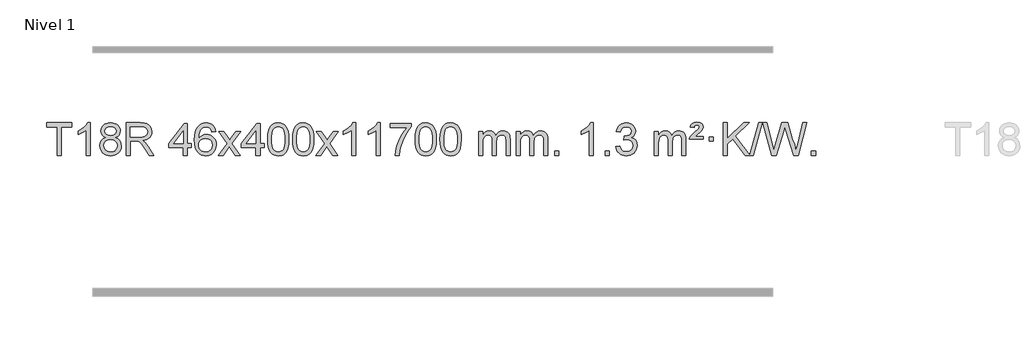
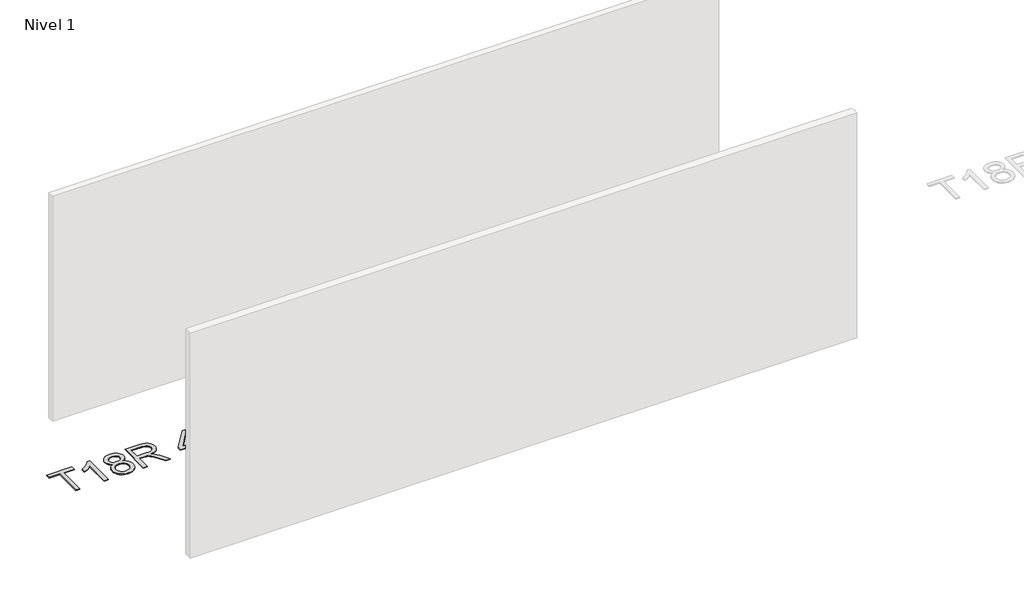
# One storey, part 3 of 7: 1 proxy.
"""IFC4 building model written with IfcOpenShell, lengths in millimetres."""

from ifc_helpers import new_model, si_unit, origin, origin_with_axes, place, context, project, spatial, polyline, outline, extrude, element, save

model = new_model("IFC4")

# Units and contexts
model_context = context("Model", 3, world=origin())
ifc_project = project(units=[si_unit("LENGTHUNIT", "METRE", prefix="MILLI")], contexts=[model_context])

# Site, building, storey
site = spatial("IfcSite", under=ifc_project)
building = spatial("IfcBuilding", under=site)
storey = spatial("IfcBuildingStorey", under=building, Name="Nivel 1", Elevation=0.0)

# Proxy
placement = place(None, origin())
element("IfcBuildingElementProxy", 1, Name="Texto de modelo 1", ObjectType="Texto de modelo 1", at=placement, inside=storey, context=model_context, shape_type="SweptSolid", body=[
    extrude(outline(polyline([(-26017.2438234, 8623.4579509), (-26017.2438234, 8975.0550364), (-26149.0927304, 8975.0550364), (-26149.0927304, 9025.2831915), (-25835.1667612, 9025.2831915), (-25835.1667612, 8975.0550364), (-25967.0156683, 8975.0550364), (-25967.0156683, 8623.4579509), (-26017.2438234, 8623.4579509)])), origin_with_axes(), (0.0, 0.0, 1.0), 10.0),
    extrude(outline(polyline([(-25609.1400634, 8623.4579509), (-25659.3682185, 8623.4579509), (-25659.3682185, 8936.5991052), (-25680.3374922, 8919.6397452), (-25706.9476232, 8902.7049107), (-25759.8245286, 8877.3455785), (-25759.8245286, 8924.8268813), (-25720.375316, 8946.2866644), (-25686.1990786, 8971.8176749), (-25659.2578539, 8998.9673661), (-25641.513679, 9025.2831915), (-25609.1400634, 9025.2831915), (-25609.1400634, 8623.4579509)])), origin_with_axes(), (0.0, 0.0, 1.0), 10.0),
    extrude(outline(polyline([(-25416.6642035, 8844.7757592), (-25443.5563773, 8858.019511), (-25462.4287237, 8875.9721524), (-25473.5755482, 8898.2658013), (-25477.2911563, 8924.5325757), (-25475.2678053, 8945.0174715), (-25469.1977524, 8963.7978474), (-25459.0809975, 8980.8737033), (-25444.9175407, 8996.2450393), (-25427.3879637, 9008.9492309), (-25407.172848, 9018.0236534), (-25384.2721938, 9023.468307), (-25358.6860011, 9025.2831915), (-25332.977181, 9023.4253874), (-25309.9048485, 9017.8519752), (-25289.4690037, 9008.5629548), (-25271.6696465, 8995.5583263), (-25257.2486723, 8979.8865533), (-25246.9479764, 8962.5960995), (-25240.7675589, 8943.686965), (-25238.7074197, 8923.1591496), (-25242.3739769, 8897.7385038), (-25253.3736486, 8875.8249996), (-25271.829062, 8857.9827228), (-25297.8628445, 8844.7757592), (-25266.9484942, 8828.8464688), (-25244.4463788, 8805.3878602), (-25230.7243804, 8775.528105), (-25226.1503809, 8740.3953744), (-25228.4189866, 8715.3426105), (-25235.2248035, 8692.3745113), (-25246.5678317, 8671.4910767), (-25262.4480711, 8652.6923068), (-25282.031656, 8637.1554238), (-25304.4847204, 8626.0576503), (-25329.8072644, 8619.3989862), (-25357.999288, 8617.1794315), (-25386.1913116, 8619.4081833), (-25411.5138556, 8626.0944385), (-25433.96692, 8637.2381973), (-25453.5505049, 8652.8394596), (-25469.4307443, 8671.7700539), (-25480.7737725, 8692.9018088), (-25487.5795894, 8716.2347244), (-25489.8481951, 8741.7688005), (-25485.0902546, 8778.2626945), (-25470.8164332, 8808.2818653), (-25447.7624948, 8830.7962434), (-25416.6642035, 8844.7757592)]), holes=[polyline([(-25427.0630012, 8923.0610478), (-25422.6116291, 8901.1352808), (-25409.2575127, 8883.6240979), (-25387.3930594, 8872.1461796), (-25357.4106768, 8868.3202069), (-25328.12727, 8872.1216542), (-25306.5939105, 8883.525996), (-25293.3501587, 8900.4485678), (-25288.9355748, 8920.8047049), (-25293.4973115, 8941.9333941), (-25307.1825217, 8959.4077889), (-25329.0101868, 8971.1432245), (-25357.999288, 8975.0550364), (-25387.1723302, 8971.2290637), (-25408.9632071, 8959.7511454), (-25422.5380527, 8942.9266755), (-25427.0630012, 8923.0610478)]), polyline([(-25439.62004, 8743.5346341), (-25437.5231126, 8724.3189312), (-25431.2323305, 8705.716365), (-25419.6195222, 8689.492769), (-25401.5565162, 8677.4139768), (-25379.9250549, 8669.9091841), (-25357.6068805, 8667.4075866), (-25323.4183805, 8672.6682991), (-25309.5247038, 8679.2441898), (-25297.7647427, 8688.4504367), (-25281.7250877, 8712.3505037), (-25276.378536, 8741.9650043), (-25281.8967659, 8772.0822769), (-25298.4514557, 8796.5096414), (-25310.5302479, 8805.951946), (-25324.6937047, 8812.6964492), (-25359.2746123, 8818.0920518), (-25392.9848657, 8812.7700256), (-25406.7221926, 8806.1174929), (-25418.3809861, 8796.803947), (-25434.3102765, 8772.8425664), (-25439.62004, 8743.5346341)])]), origin_with_axes(), (0.0, 0.0, 1.0), 10.0),
    extrude(outline(polyline([(-25163.3651871, 8623.4579509), (-25163.3651871, 9025.2831915), (-24990.2153947, 9025.2831915), (-24943.6783223, 9022.5731275), (-24909.820916, 9014.4429354), (-24885.0747205, 8999.43335), (-24865.8712803, 8976.085106), (-24853.5472335, 8947.132793), (-24849.4392179, 8915.3110004), (-24851.1406721, 8894.6728205), (-24856.2450348, 8875.7268977), (-24864.7523059, 8858.4732321), (-24876.6624855, 8842.9118237), (-24892.1288577, 8829.5393132), (-24911.3047067, 8818.8523413), (-24934.1900325, 8810.8509079), (-24960.7848351, 8805.535013), (-24932.2371923, 8784.0507045), (-24891.5249181, 8732.3510215), (-24824.5213441, 8623.4579509), (-24882.891954, 8623.4579509), (-24935.1802482, 8706.7464346), (-24972.9494664, 8761.8796829), (-24986.9902959, 8777.9561261), (-24999.486021, 8787.9257282), (-25023.3738252, 8797.4906601), (-25052.5100792, 8799.2564936), (-25113.137032, 8799.2564936), (-25113.137032, 8623.4579509), (-25163.3651871, 8623.4579509)]), holes=[polyline([(-25113.137032, 8849.4846487), (-25000.7122943, 8849.4846487), (-24968.4245178, 8851.262745), (-24943.371754, 8856.597034), (-24924.5116704, 8865.8431348), (-24910.8019347, 8879.3566667), (-24902.4510134, 8895.70289), (-24899.6673729, 8913.4470649), (-24904.9771364, 8937.9480058), (-24920.9064268, 8957.6910062), (-24933.0679924, 8965.2877694), (-24948.3136354, 8970.7140289), (-24988.0571537, 8975.0550364), (-25113.137032, 8975.0550364), (-25113.137032, 8849.4846487)])]), origin_with_axes(), (0.0, 0.0, 1.0), 10.0),
    extrude(outline(polyline([(-24460.171016, 8623.4579509), (-24460.171016, 8717.6357417), (-24642.2480782, 8717.6357417), (-24642.2480782, 8767.8638967), (-24447.6139773, 9019.0046721), (-24409.942861, 9019.0046721), (-24409.942861, 8767.8638967), (-24359.7147059, 8767.8638967), (-24359.7147059, 8717.6357417), (-24409.942861, 8717.6357417), (-24409.942861, 8623.4579509), (-24460.171016, 8623.4579509)]), holes=[polyline([(-24460.171016, 8767.8638967), (-24460.171016, 8923.0610478), (-24580.443903, 8767.8638967), (-24460.171016, 8767.8638967)])]), origin_with_axes(), (0.0, 0.0, 1.0), 10.0),
    extrude(outline(polyline([(-24058.3457754, 8918.5483619), (-24108.5739305, 8912.2698426), (-24116.6673344, 8937.1631909), (-24127.6056924, 8954.1593391), (-24150.3898506, 8969.8311121), (-24177.9319493, 8975.0550364), (-24201.2801933, 8972.0138786), (-24223.2550111, 8962.8904051), (-24242.1273575, 8943.6747022), (-24257.5416131, 8917.2239868), (-24267.9526736, 8879.8103879), (-24271.8154345, 8827.7060346), (-24251.6677639, 8851.2136941), (-24227.5224423, 8867.7806466), (-24200.7283703, 8877.6030959), (-24172.6344486, 8880.8772456), (-24148.5013897, 8878.6392968), (-24126.2322663, 8871.9254504), (-24105.8270783, 8860.7357064), (-24087.2858257, 8845.0700648), (-24071.8777015, 8825.8604933), (-24060.8718985, 8804.0389596), (-24054.2684167, 8779.6054637), (-24052.0672561, 8752.5600057), (-24056.2120599, 8716.5934093), (-24068.6464713, 8683.2510378), (-24088.3404208, 8654.9731751), (-24114.2638387, 8634.2001051), (-24145.2395027, 8621.4345999), (-24180.0901904, 8617.1794315), (-24210.0327191, 8619.9998601), (-24237.0751114, 8628.461146), (-24261.2173674, 8642.5632892), (-24282.4594869, 8662.3062896), (-24299.7775318, 8688.5240131), (-24312.1475639, 8722.0503256), (-24319.5695832, 8762.8852271), (-24322.0435896, 8811.0287175), (-24319.2967374, 8865.0031376), (-24311.0561807, 8911.0680947), (-24297.3219195, 8949.223589), (-24278.0939539, 8979.4696204), (-24257.2534389, 8999.5130577), (-24233.0897232, 9013.8297987), (-24205.6028067, 9022.4198433), (-24174.7926896, 9025.2831915), (-24151.6590435, 9023.5112265), (-24130.7204266, 9018.1953317), (-24111.976839, 9009.335507), (-24095.4282806, 8996.9317524), (-24081.5223411, 8981.4010008), (-24070.7066105, 8963.1601852), (-24062.9810886, 8942.2093056), (-24058.3457754, 8918.5483619)]), holes=[polyline([(-24271.8154345, 8753.3448206), (-24268.9091667, 8731.0879599), (-24260.1903635, 8709.8366434), (-24246.652306, 8691.5651709), (-24229.2882759, 8678.2478427), (-24208.3312649, 8670.1176506), (-24184.014265, 8667.4075866), (-24150.8680972, 8673.0239184), (-24136.9529608, 8680.0443331), (-24124.8097892, 8689.8729137), (-24114.9597488, 8702.1111215), (-24107.9240057, 8716.3604174), (-24102.2954111, 8750.892274), (-24107.8504293, 8784.0384418), (-24114.7942019, 8797.6592727), (-24124.5154836, 8809.3119348), (-24136.6954434, 8818.6469405), (-24151.01525, 8825.3148016), (-24186.0744042, 8830.6490906), (-24219.171521, 8825.3148016), (-24246.8485098, 8809.3119348), (-24257.7715393, 8797.8125568), (-24265.5737033, 8784.6515784), (-24270.2550017, 8769.8289997), (-24271.8154345, 8753.3448206)])]), origin_with_axes(), (0.0, 0.0, 1.0), 10.0),
    extrude(outline(polyline([(-24026.9531785, 8623.4579509), (-23919.6297378, 8771.7879713), (-24020.6746591, 8918.5483619), (-23960.2439101, 8918.5483619), (-23911.487283, 8847.9150189), (-23888.7276502, 8814.5603846), (-23869.0091753, 8841.8327032), (-23813.4835195, 8918.5483619), (-23753.0527704, 8918.5483619), (-23859.1989887, 8771.7879713), (-23756.976845, 8623.4579509), (-23817.4075941, 8623.4579509), (-23878.9174637, 8712.6325465), (-23890.1991782, 8728.9174562), (-23966.5224294, 8623.4579509), (-24026.9531785, 8623.4579509)])), origin_with_axes(), (0.0, 0.0, 1.0), 10.0),
    extrude(outline(polyline([(-23562.3427441, 8623.4579509), (-23562.3427441, 8717.6357417), (-23744.4198062, 8717.6357417), (-23744.4198062, 8767.8638967), (-23549.7857053, 9019.0046721), (-23512.114589, 9019.0046721), (-23512.114589, 8767.8638967), (-23461.8864339, 8767.8638967), (-23461.8864339, 8717.6357417), (-23512.114589, 8717.6357417), (-23512.114589, 8623.4579509), (-23562.3427441, 8623.4579509)]), holes=[polyline([(-23562.3427441, 8767.8638967), (-23562.3427441, 8923.0610478), (-23682.615631, 8767.8638967), (-23562.3427441, 8767.8638967)])]), origin_with_axes(), (0.0, 0.0, 1.0), 10.0),
    extrude(outline(polyline([(-23417.9367982, 8821.1332096), (-23414.2457156, 8885.4512451), (-23403.1724675, 8936.746258), (-23384.8274187, 8975.8030631), (-23372.9693557, 8991.0364434), (-23359.3209337, 9003.4064755), (-23343.8361674, 9012.9775387), (-23326.4690715, 9019.8140125), (-23286.0878912, 9025.2831915), (-23255.1367526, 9022.0458299), (-23227.4229757, 9012.3337453), (-23204.24641, 8996.5270822), (-23186.9069053, 8975.0059855), (-23173.8103062, 8947.9543961), (-23163.3624576, 8915.5562551), (-23156.5198525, 8874.4147853), (-23154.2389841, 8821.1332096), (-23157.8932786, 8757.1830561), (-23168.856162, 8706.0106706), (-23187.0908463, 8666.9170772), (-23198.9213181, 8651.6377117), (-23212.5605431, 8639.2033003), (-23228.0637035, 8629.5678577), (-23245.4859816, 8622.6853987), (-23286.0878912, 8617.1794315), (-23313.7526172, 8619.5706645), (-23338.2780835, 8626.7443634), (-23359.6642902, 8638.7005282), (-23377.9112372, 8655.439159), (-23395.4224201, 8685.6974531), (-23407.930408, 8723.3992262), (-23415.4352007, 8768.5444784), (-23417.9367982, 8821.1332096)]), holes=[polyline([(-23367.7086432, 8821.2313115), (-23366.2371152, 8777.5667843), (-23361.8225312, 8742.2225217), (-23354.4648913, 8715.1985234), (-23344.1641955, 8696.4947897), (-23331.7052586, 8683.7691383), (-23317.8728956, 8674.6793873), (-23302.6671064, 8669.2255368), (-23286.0878912, 8667.4075866), (-23269.5086759, 8669.2316681), (-23254.3028868, 8674.7039128), (-23240.4705238, 8683.8243206), (-23228.0115869, 8696.5928915), (-23217.710891, 8715.3272821), (-23210.3532511, 8742.345149), (-23205.9386672, 8777.6464921), (-23204.4671392, 8821.2313115), (-23205.8896162, 8863.740076), (-23210.1570474, 8898.462005), (-23217.2694326, 8925.3970984), (-23227.2267719, 8944.5453563), (-23239.4772424, 8957.8933413), (-23253.4690209, 8967.4276164), (-23269.2021076, 8973.1481814), (-23286.6765024, 8975.0550364), (-23303.1698785, 8973.375042), (-23318.1181502, 8968.3350586), (-23331.5213176, 8959.9350864), (-23343.3793805, 8948.1751253), (-23354.0234329, 8927.3284789), (-23361.6263275, 8899.2222945), (-23366.1880643, 8863.856572), (-23367.7086432, 8821.2313115)])]), origin_with_axes(), (0.0, 0.0, 1.0), 10.0),
    extrude(outline(polyline([(-23110.2893484, 8821.1332096), (-23106.5982657, 8885.4512451), (-23095.5250177, 8936.746258), (-23077.1799688, 8975.8030631), (-23065.3219059, 8991.0364434), (-23051.6734838, 9003.4064755), (-23036.1887175, 9012.9775387), (-23018.8216217, 9019.8140125), (-22978.4404413, 9025.2831915), (-22947.4893028, 9022.0458299), (-22919.7755258, 9012.3337453), (-22896.5989601, 8996.5270822), (-22879.2594554, 8975.0059855), (-22866.1628564, 8947.9543961), (-22855.7150077, 8915.5562551), (-22848.8724026, 8874.4147853), (-22846.5915343, 8821.1332096), (-22850.2458287, 8757.1830561), (-22861.2087122, 8706.0106706), (-22879.4433964, 8666.9170772), (-22891.2738683, 8651.6377117), (-22904.9130932, 8639.2033003), (-22920.4162536, 8629.5678577), (-22937.8385318, 8622.6853987), (-22978.4404413, 8617.1794315), (-23006.1051674, 8619.5706645), (-23030.6306337, 8626.7443634), (-23052.0168404, 8638.7005282), (-23070.2637873, 8655.439159), (-23087.7749703, 8685.6974531), (-23100.2829581, 8723.3992262), (-23107.7877508, 8768.5444784), (-23110.2893484, 8821.1332096)]), holes=[polyline([(-23060.0611933, 8821.2313115), (-23058.5896654, 8777.5667843), (-23054.1750814, 8742.2225217), (-23046.8174415, 8715.1985234), (-23036.5167456, 8696.4947897), (-23024.0578087, 8683.7691383), (-23010.2254457, 8674.6793873), (-22995.0196566, 8669.2255368), (-22978.4404413, 8667.4075866), (-22961.8612261, 8669.2316681), (-22946.655437, 8674.7039128), (-22932.8230739, 8683.8243206), (-22920.364137, 8696.5928915), (-22910.0634412, 8715.3272821), (-22902.7058013, 8742.345149), (-22898.2912173, 8777.6464921), (-22896.8196893, 8821.2313115), (-22898.2421664, 8863.740076), (-22902.5095975, 8898.462005), (-22909.6219828, 8925.3970984), (-22919.5793221, 8944.5453563), (-22931.8297925, 8957.8933413), (-22945.8215711, 8967.4276164), (-22961.5546578, 8973.1481814), (-22979.0290525, 8975.0550364), (-22995.5224286, 8973.375042), (-23010.4707004, 8968.3350586), (-23023.8738677, 8959.9350864), (-23035.7319307, 8948.1751253), (-23046.3759831, 8927.3284789), (-23053.9788777, 8899.2222945), (-23058.5406144, 8863.856572), (-23060.0611933, 8821.2313115)])]), origin_with_axes(), (0.0, 0.0, 1.0), 10.0),
    extrude(outline(polyline([(-22821.4774567, 8623.4579509), (-22714.154016, 8771.7879713), (-22815.1989373, 8918.5483619), (-22754.7681883, 8918.5483619), (-22706.0115612, 8847.9150189), (-22683.2519284, 8814.5603846), (-22663.5334535, 8841.8327032), (-22608.0077977, 8918.5483619), (-22547.5770486, 8918.5483619), (-22653.7232669, 8771.7879713), (-22551.5011232, 8623.4579509), (-22611.9318723, 8623.4579509), (-22673.4417419, 8712.6325465), (-22684.7234564, 8728.9174562), (-22761.0467077, 8623.4579509), (-22821.4774567, 8623.4579509)])), origin_with_axes(), (0.0, 0.0, 1.0), 10.0),
    extrude(outline(polyline([(-22331.7529447, 8623.4579509), (-22381.9810998, 8623.4579509), (-22381.9810998, 8936.5991052), (-22402.9503735, 8919.6397452), (-22429.5605045, 8902.7049107), (-22482.43741, 8877.3455785), (-22482.43741, 8924.8268813), (-22442.9881974, 8946.2866644), (-22408.81196, 8971.8176749), (-22381.8707352, 8998.9673661), (-22364.1265603, 9025.2831915), (-22331.7529447, 9025.2831915), (-22331.7529447, 8623.4579509)])), origin_with_axes(), (0.0, 0.0, 1.0), 10.0),
    extrude(outline(polyline([(-22024.1054949, 8623.4579509), (-22074.33365, 8623.4579509), (-22074.33365, 8936.5991052), (-22095.3029237, 8919.6397452), (-22121.9130547, 8902.7049107), (-22174.7899601, 8877.3455785), (-22174.7899601, 8924.8268813), (-22135.3407475, 8946.2866644), (-22101.1645102, 8971.8176749), (-22074.2232854, 8998.9673661), (-22056.4791105, 9025.2831915), (-22024.1054949, 9025.2831915), (-22024.1054949, 8623.4579509)])), origin_with_axes(), (0.0, 0.0, 1.0), 10.0),
    extrude(outline(polyline([(-21904.8136266, 8968.776517), (-21904.8136266, 9019.0046721), (-21641.1158125, 9019.0046721), (-21641.1158125, 8978.3904998), (-21678.7010896, 8930.8233579), (-21715.9184848, 8870.3312951), (-21748.7458215, 8802.4325415), (-21773.1609233, 8732.6453271), (-21785.1293508, 8680.4306092), (-21791.8002777, 8623.4579509), (-21842.0284328, 8623.4579509), (-21836.596042, 8675.2312103), (-21822.0647032, 8736.7656054), (-21798.8268238, 8801.9910831), (-21767.2748113, 8864.8375907), (-21730.4375609, 8921.6508334), (-21691.3439675, 8968.776517), (-21904.8136266, 8968.776517)])), origin_with_axes(), (0.0, 0.0, 1.0), 10.0),
    extrude(outline(polyline([(-21597.1661768, 8821.1332096), (-21593.4750941, 8885.4512451), (-21582.401846, 8936.746258), (-21564.0567972, 8975.8030631), (-21552.1987342, 8991.0364434), (-21538.5503122, 9003.4064755), (-21523.0655459, 9012.9775387), (-21505.69845, 9019.8140125), (-21465.3172697, 9025.2831915), (-21434.3661312, 9022.0458299), (-21406.6523542, 9012.3337453), (-21383.4757885, 8996.5270822), (-21366.1362838, 8975.0059855), (-21353.0396848, 8947.9543961), (-21342.5918361, 8915.5562551), (-21335.749231, 8874.4147853), (-21333.4683626, 8821.1332096), (-21337.1226571, 8757.1830561), (-21348.0855406, 8706.0106706), (-21366.3202248, 8666.9170772), (-21378.1506966, 8651.6377117), (-21391.7899216, 8639.2033003), (-21407.293082, 8629.5678577), (-21424.7153602, 8622.6853987), (-21465.3172697, 8617.1794315), (-21492.9819957, 8619.5706645), (-21517.5074621, 8626.7443634), (-21538.8936687, 8638.7005282), (-21557.1406157, 8655.439159), (-21574.6517987, 8685.6974531), (-21587.1597865, 8723.3992262), (-21594.6645792, 8768.5444784), (-21597.1661768, 8821.1332096)]), holes=[polyline([(-21546.9380217, 8821.2313115), (-21545.4664937, 8777.5667843), (-21541.0519098, 8742.2225217), (-21533.6942699, 8715.1985234), (-21523.393574, 8696.4947897), (-21510.9346371, 8683.7691383), (-21497.1022741, 8674.6793873), (-21481.896485, 8669.2255368), (-21465.3172697, 8667.4075866), (-21448.7380545, 8669.2316681), (-21433.5322653, 8674.7039128), (-21419.6999023, 8683.8243206), (-21407.2409654, 8696.5928915), (-21396.9402695, 8715.3272821), (-21389.5826296, 8742.345149), (-21385.1680457, 8777.6464921), (-21383.6965177, 8821.2313115), (-21385.1189948, 8863.740076), (-21389.3864259, 8898.462005), (-21396.4988111, 8925.3970984), (-21406.4561505, 8944.5453563), (-21418.7066209, 8957.8933413), (-21432.6983995, 8967.4276164), (-21448.4314861, 8973.1481814), (-21465.9058809, 8975.0550364), (-21482.399257, 8973.375042), (-21497.3475288, 8968.3350586), (-21510.7506961, 8959.9350864), (-21522.6087591, 8948.1751253), (-21533.2528115, 8927.3284789), (-21540.855706, 8899.2222945), (-21545.4174428, 8863.856572), (-21546.9380217, 8821.2313115)])]), origin_with_axes(), (0.0, 0.0, 1.0), 10.0),
    extrude(outline(polyline([(-21289.5187269, 8821.1332096), (-21285.8276443, 8885.4512451), (-21274.7543962, 8936.746258), (-21256.4093474, 8975.8030631), (-21244.5512844, 8991.0364434), (-21230.9028624, 9003.4064755), (-21215.4180961, 9012.9775387), (-21198.0510002, 9019.8140125), (-21157.6698199, 9025.2831915), (-21126.7186813, 9022.0458299), (-21099.0049044, 9012.3337453), (-21075.8283387, 8996.5270822), (-21058.488834, 8975.0059855), (-21045.3922349, 8947.9543961), (-21034.9443863, 8915.5562551), (-21028.1017812, 8874.4147853), (-21025.8209128, 8821.1332096), (-21029.4752073, 8757.1830561), (-21040.4380907, 8706.0106706), (-21058.672775, 8666.9170772), (-21070.5032468, 8651.6377117), (-21084.1424718, 8639.2033003), (-21099.6456322, 8629.5678577), (-21117.0679103, 8622.6853987), (-21157.6698199, 8617.1794315), (-21185.3345459, 8619.5706645), (-21209.8600123, 8626.7443634), (-21231.2462189, 8638.7005282), (-21249.4931659, 8655.439159), (-21267.0043488, 8685.6974531), (-21279.5123367, 8723.3992262), (-21287.0171294, 8768.5444784), (-21289.5187269, 8821.1332096)]), holes=[polyline([(-21239.2905719, 8821.2313115), (-21237.8190439, 8777.5667843), (-21233.4044599, 8742.2225217), (-21226.04682, 8715.1985234), (-21215.7461242, 8696.4947897), (-21203.2871873, 8683.7691383), (-21189.4548243, 8674.6793873), (-21174.2490351, 8669.2255368), (-21157.6698199, 8667.4075866), (-21141.0906046, 8669.2316681), (-21125.8848155, 8674.7039128), (-21112.0524525, 8683.8243206), (-21099.5935156, 8696.5928915), (-21089.2928197, 8715.3272821), (-21081.9351798, 8742.345149), (-21077.5205959, 8777.6464921), (-21076.0490679, 8821.2313115), (-21077.4715449, 8863.740076), (-21081.7389761, 8898.462005), (-21088.8513613, 8925.3970984), (-21098.8087006, 8944.5453563), (-21111.0591711, 8957.8933413), (-21125.0509496, 8967.4276164), (-21140.7840363, 8973.1481814), (-21158.2584311, 8975.0550364), (-21174.7518072, 8973.375042), (-21189.7000789, 8968.3350586), (-21203.1032463, 8959.9350864), (-21214.9613093, 8948.1751253), (-21225.6053616, 8927.3284789), (-21233.2082562, 8899.2222945), (-21237.769993, 8863.856572), (-21239.2905719, 8821.2313115)])]), origin_with_axes(), (0.0, 0.0, 1.0), 10.0),
    extrude(outline(polyline([(-20812.3512537, 8623.4579509), (-20812.3512537, 8918.5483619), (-20762.1230987, 8918.5483619), (-20762.1230987, 8869.9879386), (-20747.0154114, 8892.2938502), (-20727.591242, 8909.768245), (-20704.5127782, 8921.0622222), (-20678.4422075, 8924.8268813), (-20650.5077013, 8920.9886459), (-20628.1159505, 8909.4739394), (-20611.3895825, 8891.0430514), (-20600.4512245, 8866.4562714), (-20582.1429639, 8891.9934133), (-20561.2595293, 8910.2342289), (-20537.8009207, 8921.1787182), (-20511.7671382, 8924.8268813), (-20491.6593215, 8923.3093681), (-20474.0101828, 8918.7568284), (-20458.8197221, 8911.1692623), (-20446.0879393, 8900.5466697), (-20436.0233011, 8886.7664232), (-20428.8342738, 8869.7058957), (-20424.5208574, 8849.3650871), (-20423.0830519, 8825.7439973), (-20423.0830519, 8623.4579509), (-20473.311207, 8623.4579509), (-20473.311207, 8804.1615869), (-20474.4761666, 8829.2143508), (-20477.9710456, 8846.1001344), (-20484.5193451, 8857.6638917), (-20494.8445664, 8866.750577), (-20508.1251065, 8872.636689), (-20523.5393621, 8874.5987263), (-20550.750367, 8869.5710057), (-20572.9336513, 8854.4878439), (-20581.5390243, 8842.9179551), (-20587.6857193, 8828.3191713), (-20592.6030753, 8790.0349183), (-20592.6030753, 8623.4579509), (-20642.8312304, 8623.4579509), (-20642.8312304, 8809.7533932), (-20645.7374981, 8838.1538833), (-20654.4563014, 8858.4119185), (-20669.7969806, 8870.5520243), (-20692.5688761, 8874.5987263), (-20711.919469, 8871.900925), (-20729.7494831, 8863.8075211), (-20744.4647629, 8850.5147183), (-20754.4711532, 8832.2187204), (-20760.2101123, 8806.8348627), (-20762.1230987, 8772.2784807), (-20762.1230987, 8623.4579509), (-20812.3512537, 8623.4579509)])), origin_with_axes(), (0.0, 0.0, 1.0), 10.0),
    extrude(outline(polyline([(-20347.7408193, 8623.4579509), (-20347.7408193, 8918.5483619), (-20297.5126642, 8918.5483619), (-20297.5126642, 8869.9879386), (-20282.4049769, 8892.2938502), (-20262.9808076, 8909.768245), (-20239.9023438, 8921.0622222), (-20213.831773, 8924.8268813), (-20185.8972669, 8920.9886459), (-20163.5055161, 8909.4739394), (-20146.7791481, 8891.0430514), (-20135.8407901, 8866.4562714), (-20117.5325294, 8891.9934133), (-20096.6490948, 8910.2342289), (-20073.1904863, 8921.1787182), (-20047.1567038, 8924.8268813), (-20027.048887, 8923.3093681), (-20009.3997483, 8918.7568284), (-19994.2092876, 8911.1692623), (-19981.4775049, 8900.5466697), (-19971.4128666, 8886.7664232), (-19964.2238393, 8869.7058957), (-19959.9104229, 8849.3650871), (-19958.4726175, 8825.7439973), (-19958.4726175, 8623.4579509), (-20008.7007725, 8623.4579509), (-20008.7007725, 8804.1615869), (-20009.8657322, 8829.2143508), (-20013.3606111, 8846.1001344), (-20019.9089107, 8857.6638917), (-20030.234132, 8866.750577), (-20043.514672, 8872.636689), (-20058.9289276, 8874.5987263), (-20086.1399325, 8869.5710057), (-20108.3232168, 8854.4878439), (-20116.9285898, 8842.9179551), (-20123.0752848, 8828.3191713), (-20127.9926408, 8790.0349183), (-20127.9926408, 8623.4579509), (-20178.2207959, 8623.4579509), (-20178.2207959, 8809.7533932), (-20181.1270637, 8838.1538833), (-20189.845867, 8858.4119185), (-20205.1865462, 8870.5520243), (-20227.9584417, 8874.5987263), (-20247.3090346, 8871.900925), (-20265.1390486, 8863.8075211), (-20279.8543284, 8850.5147183), (-20289.8607187, 8832.2187204), (-20295.5996778, 8806.8348627), (-20297.5126642, 8772.2784807), (-20297.5126642, 8623.4579509), (-20347.7408193, 8623.4579509)])), origin_with_axes(), (0.0, 0.0, 1.0), 10.0),
    extrude(outline(polyline([(-19870.5733461, 8623.4579509), (-19870.5733461, 8673.686106), (-19820.345191, 8673.686106), (-19820.345191, 8623.4579509), (-19870.5733461, 8623.4579509)])), origin_with_axes(), (0.0, 0.0, 1.0), 10.0),
    extrude(outline(polyline([(-19393.4058729, 8623.4579509), (-19443.6340279, 8623.4579509), (-19443.6340279, 8936.5991052), (-19464.6033017, 8919.6397452), (-19491.2134327, 8902.7049107), (-19544.0903381, 8877.3455785), (-19544.0903381, 8924.8268813), (-19504.6411255, 8946.2866644), (-19470.4648881, 8971.8176749), (-19443.5236633, 8998.9673661), (-19425.7794884, 9025.2831915), (-19393.4058729, 9025.2831915), (-19393.4058729, 8623.4579509)])), origin_with_axes(), (0.0, 0.0, 1.0), 10.0),
    extrude(outline(polyline([(-19248.999927, 8623.4579509), (-19248.999927, 8673.686106), (-19198.771772, 8673.686106), (-19198.771772, 8623.4579509), (-19248.999927, 8623.4579509)])), origin_with_axes(), (0.0, 0.0, 1.0), 10.0),
    extrude(outline(polyline([(-19117.15102, 8730.1927804), (-19066.9228649, 8736.4712998), (-19055.6779386, 8704.9070246), (-19039.2090879, 8683.5943944), (-19016.7069725, 8671.4542885), (-18987.3622521, 8667.4075866), (-18952.9284973, 8672.9748674), (-18938.6546759, 8679.9339685), (-18926.3428918, 8689.67671), (-18909.3467436, 8714.5945838), (-18903.6813609, 8744.8099584), (-18909.2976927, 8773.4924913), (-18926.1466881, 8796.7548961), (-18951.6531731, 8812.1691517), (-18983.2419737, 8817.3072369), (-19018.4605434, 8811.8135324), (-19012.8687371, 8862.0416875), (-19004.8243841, 8861.4530763), (-18974.7316369, 8865.0583199), (-18947.8272003, 8875.8740505), (-18936.7539523, 8884.0532935), (-18928.8444894, 8894.1700484), (-18924.0988116, 8906.2243151), (-18922.516919, 8920.2160937), (-18927.1031813, 8941.9088686), (-18940.8619679, 8959.5058907), (-18961.8557671, 8971.16775), (-18988.147067, 8975.0550364), (-19014.4874178, 8971.1309618), (-19036.0207773, 8959.3587379), (-19051.7416012, 8939.7383649), (-19060.6443455, 8912.2698426), (-19110.8725006, 8918.5483619), (-19104.9189436, 8942.5281367), (-19096.0836444, 8963.6506946), (-19084.3666028, 8981.9160356), (-19069.767819, 8997.3241599), (-19052.7471453, 9009.5562362), (-19033.7644344, 9018.2934336), (-19012.8196861, 9023.535752), (-18989.9129006, 9025.2831915), (-18958.3363626, 9021.8373635), (-18929.3349987, 9011.4998794), (-18904.8831087, 8995.1904443), (-18886.9549928, 8973.8287631), (-18875.9553212, 8949.2174576), (-18872.288764, 8923.1591496), (-18875.7713802, 8898.8789379), (-18886.2192289, 8876.8550692), (-18903.4851572, 8858.0930874), (-18927.4220123, 8843.5985368), (-18895.9803645, 8830.8943452), (-18872.6811714, 8809.2628839), (-18858.2601972, 8779.8813752), (-18853.4532058, 8743.9270416), (-18855.8567015, 8718.445082), (-18863.0671886, 8694.9742107), (-18875.0846671, 8673.5144277), (-18891.909137, 8654.0657329), (-18912.4062955, 8637.927976), (-18935.4418398, 8626.4010068), (-18961.0157698, 8619.4848253), (-18989.1280856, 8617.1794315), (-19014.5364688, 8619.1476002), (-19037.688509, 8625.0521062), (-19058.5842063, 8634.8929496), (-19077.2235607, 8648.6701303), (-19092.8524142, 8665.574308), (-19104.7166085, 8684.7961422), (-19112.8161438, 8706.335633), (-19117.15102, 8730.1927804)])), origin_with_axes(), (0.0, 0.0, 1.0), 10.0),
    extrude(outline(polyline([(-18639.9835467, 8623.4579509), (-18639.9835467, 8918.5483619), (-18589.7553917, 8918.5483619), (-18589.7553917, 8869.9879386), (-18574.6477044, 8892.2938502), (-18555.2235351, 8909.768245), (-18532.1450712, 8921.0622222), (-18506.0745005, 8924.8268813), (-18478.1399943, 8920.9886459), (-18455.7482436, 8909.4739394), (-18439.0218755, 8891.0430514), (-18428.0835175, 8866.4562714), (-18409.7752569, 8891.9934133), (-18388.8918223, 8910.2342289), (-18365.4332137, 8921.1787182), (-18339.3994312, 8924.8268813), (-18319.2916145, 8923.3093681), (-18301.6424758, 8918.7568284), (-18286.4520151, 8911.1692623), (-18273.7202323, 8900.5466697), (-18263.6555941, 8886.7664232), (-18256.4665668, 8869.7058957), (-18252.1531504, 8849.3650871), (-18250.7153449, 8825.7439973), (-18250.7153449, 8623.4579509), (-18300.9435, 8623.4579509), (-18300.9435, 8804.1615869), (-18302.1084596, 8829.2143508), (-18305.6033386, 8846.1001344), (-18312.1516381, 8857.6638917), (-18322.4768594, 8866.750577), (-18335.7573995, 8872.636689), (-18351.1716551, 8874.5987263), (-18378.38266, 8869.5710057), (-18400.5659443, 8854.4878439), (-18409.1713173, 8842.9179551), (-18415.3180123, 8828.3191713), (-18420.2353683, 8790.0349183), (-18420.2353683, 8623.4579509), (-18470.4635234, 8623.4579509), (-18470.4635234, 8809.7533932), (-18473.3697911, 8838.1538833), (-18482.0885944, 8858.4119185), (-18497.4292736, 8870.5520243), (-18520.2011691, 8874.5987263), (-18539.5517621, 8871.900925), (-18557.3817761, 8863.8075211), (-18572.0970559, 8850.5147183), (-18582.1034462, 8832.2187204), (-18587.8424053, 8806.8348627), (-18589.7553917, 8772.2784807), (-18589.7553917, 8623.4579509), (-18639.9835467, 8623.4579509)])), origin_with_axes(), (0.0, 0.0, 1.0), 10.0),
    extrude(outline(polyline([(-18206.7657092, 8824.3705712), (-18202.9397365, 8840.189497), (-18194.6010779, 8856.0574737), (-18173.0922439, 8881.1960767), (-18141.1355613, 8908.9343791), (-18096.9897219, 8946.3111899), (-18089.8528112, 8957.838159), (-18087.4738409, 8969.6594338), (-18089.3623018, 8981.7504887), (-18095.0276846, 8991.5361498), (-18104.3964127, 8998.0108729), (-18117.3949099, 9000.1691139), (-18129.8293213, 8998.5504332), (-18138.6830147, 8993.6943908), (-18145.1086868, 8984.2275608), (-18150.2590348, 8968.776517), (-18200.4871898, 8975.0550364), (-18189.6469337, 9000.2672158), (-18173.0186675, 9017.8274497), (-18149.2534906, 9028.1281456), (-18117.0025024, 9031.5617109), (-18081.219847, 9027.4291698), (-18056.4736515, 9015.0315466), (-18042.0526773, 8996.6987605), (-18037.2456859, 8974.7607308), (-18041.3414387, 8951.8539452), (-18053.6286974, 8930.2224839), (-18074.1565127, 8910.4059071), (-18110.6258812, 8882.3487736), (-18136.230468, 8855.7631681), (-18037.2456859, 8855.7631681), (-18037.2456859, 8824.3705712), (-18206.7657092, 8824.3705712)])), origin_with_axes(), (0.0, 0.0, 1.0), 10.0),
    extrude(outline(polyline([(-17961.9034532, 8799.2564936), (-17961.9034532, 8849.4846487), (-17911.6752982, 8849.4846487), (-17911.6752982, 8799.2564936), (-17961.9034532, 8799.2564936)])), origin_with_axes(), (0.0, 0.0, 1.0), 10.0),
    extrude(outline(polyline([(-17521.0336702, 8623.4579509), (-17674.4649877, 8826.1364048), (-17742.1552748, 8761.5853773), (-17742.1552748, 8623.4579509), (-17792.3834299, 8623.4579509), (-17792.3834299, 9025.2831915), (-17742.1552748, 9025.2831915), (-17742.1552748, 8828.5889514), (-17536.1413575, 9025.2831915), (-17465.9004219, 9025.2831915), (-17638.8540105, 8860.0796502), (-17464.2004007, 8629.5024707), (-17352.887073, 9025.2831915), (-17307.5640112, 9025.2831915), (-17420.5773601, 8623.4579509), (-17459.6219025, 8623.4579509), (-17465.9004219, 8623.4579509), (-17521.0336702, 8623.4579509)])), origin_with_axes(), (0.0, 0.0, 1.0), 10.0),
    extrude(outline(polyline([(-17193.0791343, 8623.4579509), (-17302.6589179, 9025.2831915), (-17250.861133, 9025.2831915), (-17187.2911242, 8761.1929699), (-17167.6707511, 8679.6703197), (-17146.6769519, 8751.7751908), (-17067.0182372, 9025.2831915), (-16992.3627177, 9025.2831915), (-16934.4826171, 8827.0193215), (-16909.6873706, 8753.4429225), (-16891.4158982, 8679.6703197), (-16872.3841363, 8758.8385251), (-16808.2255164, 9025.2831915), (-16756.4277314, 9025.2831915), (-16866.1056169, 8623.4579509), (-16919.7673373, 8623.4579509), (-17016.1033691, 8933.4598455), (-17029.5433247, 8976.7227681), (-17044.6510119, 8924.6306776), (-17132.4521814, 8623.4579509), (-17193.0791343, 8623.4579509)])), origin_with_axes(), (0.0, 0.0, 1.0), 10.0),
    extrude(outline(polyline([(-16699.921057, 8623.4579509), (-16699.921057, 8673.686106), (-16649.6929019, 8673.686106), (-16649.6929019, 8623.4579509), (-16699.921057, 8623.4579509)])), origin_with_axes(), (0.0, 0.0, 1.0), 10.0),
])

save(model, "model.ifc")
